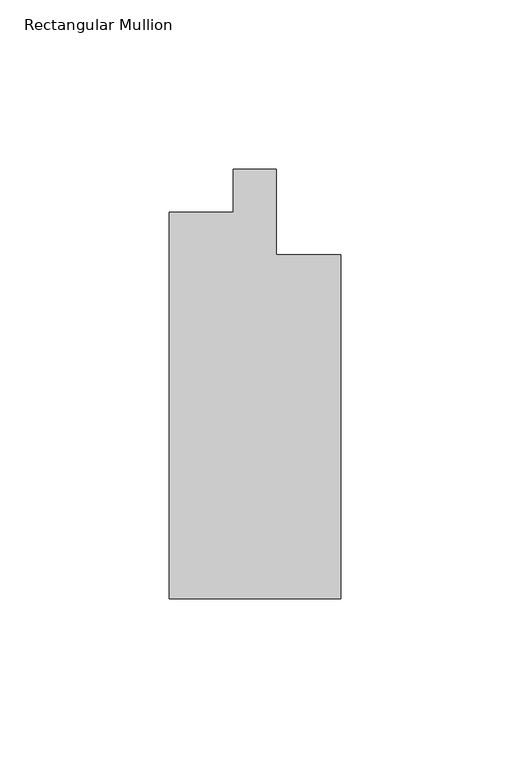
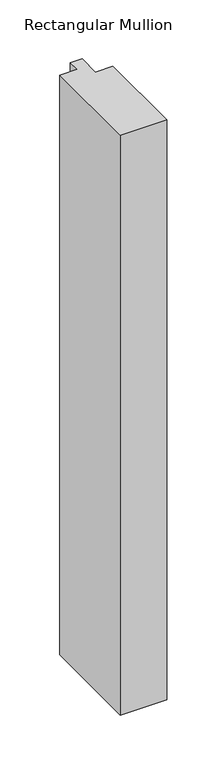
"""IFC4 building model written with IfcOpenShell, lengths in millimetres: member geometry, Rectangular Mullion."""

import ifcopenshell
import ifcopenshell.guid

model = None  # the IFC model being written
_history = None  # IfcOwnerHistory: only IFC2X3 demands one
_inside = {}  # id of a spatial element -> (the spatial element, [elements in it])
_under = {}  # id of a project, library or spatial element -> (it, [spatial elements below it])
_declared = {}  # id of a project -> (the project, [libraries it declares])
_typed = {}  # id of a type object -> (the type object, [elements of that type])
_made_of = {}  # id of a material, layer set ... -> (it, [elements and type objects made of it])


def new_model(schema):
    """Start an empty IFC model of exactly this schema.

    Asked for "IFC4X3", IfcOpenShell would pick the latest addendum, in which some entities
    have other attributes; the version numbers below select the first issue.
    IFC2X3 requires an IfcOwnerHistory on every rooted entity: one is made here for all.
    """
    global model, _history
    if schema == "IFC4X3":
        model = ifcopenshell.file(schema_version=(4, 3, 0, 0))
    else:
        model = ifcopenshell.file(schema=schema)
    _inside.clear()
    _under.clear()
    _declared.clear()
    _typed.clear()
    _made_of.clear()
    _history = None
    if model.schema == "IFC2X3":
        org = make("IfcOrganization", Name="unknown")
        user = make(
            "IfcPersonAndOrganization",
            ThePerson=make("IfcPerson", FamilyName="unknown"),
            TheOrganization=org,
        )
        app = make(
            "IfcApplication",
            ApplicationDeveloper=org,
            Version="unknown",
            ApplicationFullName="unknown",
            ApplicationIdentifier="unknown",
        )
        _history = make(
            "IfcOwnerHistory",
            OwningUser=user,
            OwningApplication=app,
            ChangeAction="ADDED",
            CreationDate=0,
        )
    return model


def make(cls, **values):
    """One entity of the class cls with the attributes given. An attribute that is None is left unset."""
    return model.create_entity(
        cls, **{name: value for name, value in values.items() if value is not None}
    )


def rooted(cls, **values):
    """An entity with a GlobalId (a new one), such as an element, a storey or a relation."""
    return make(cls, GlobalId=ifcopenshell.guid.new(), OwnerHistory=_history, **values)


def si_unit(unit_type, name, prefix=None):
    """IfcSIUnit, for example si_unit("LENGTHUNIT", "METRE", prefix="MILLI")."""
    return make("IfcSIUnit", UnitType=unit_type, Prefix=prefix, Name=name)


def assignment(units):
    """IfcUnitAssignment: the units of a project."""
    return None if units is None else make("IfcUnitAssignment", Units=units)


def point(xyz):
    """IfcCartesianPoint."""
    return None if xyz is None else make("IfcCartesianPoint", Coordinates=xyz)


def direction(xyz):
    """IfcDirection."""
    return None if xyz is None else make("IfcDirection", DirectionRatios=xyz)


def frame(location, z_axis=None, x_axis=None):
    """IfcAxis2Placement3D, a coordinate frame: its origin and axes. An axis left out is left unset."""
    return make(
        "IfcAxis2Placement3D",
        Location=point(location),
        Axis=direction(z_axis),
        RefDirection=direction(x_axis),
    )


def origin():
    """The frame at (0, 0, 0) with its axes left unset."""
    return frame((0.0, 0.0, 0.0))


def place(relative_to, where):
    """IfcLocalPlacement: puts the frame where relative to a parent placement (None: the world)."""
    return make(
        "IfcLocalPlacement", PlacementRelTo=relative_to, RelativePlacement=where
    )


def context(
    kind, dimensions, precision=None, world=None, true_north=None, identifier=None
):
    """IfcGeometricRepresentationContext, for example the 3D "Model" context."""
    return make(
        "IfcGeometricRepresentationContext",
        ContextIdentifier=identifier,
        ContextType=kind,
        CoordinateSpaceDimension=dimensions,
        Precision=precision,
        WorldCoordinateSystem=world,
        TrueNorth=true_north,
    )


def project(units=None, contexts=None):
    """IfcProject with its units and contexts."""
    return rooted(
        "IfcProject",
        Name="project",
        RepresentationContexts=contexts,
        UnitsInContext=assignment(units),
    )


def spatial(cls, under=None, at=None, **own):
    """A site, building, storey or space (cls), placed at a placement, below another one or the project."""
    s = rooted(cls, ObjectPlacement=at, **own)
    if under is not None:
        _under.setdefault(under.id(), (under, []))[1].append(s)
    return s


def polyline(points):
    """IfcPolyline through the points."""
    return make("IfcPolyline", Points=[point(p) for p in points])


def outline(outer, holes=None, kind="AREA"):
    """IfcArbitraryClosedProfileDef: a profile drawn as a closed curve; with holes, ...WithVoids."""
    if holes is None:
        return make("IfcArbitraryClosedProfileDef", ProfileType=kind, OuterCurve=outer)
    return make(
        "IfcArbitraryProfileDefWithVoids",
        ProfileType=kind,
        OuterCurve=outer,
        InnerCurves=holes,
    )


def extrude(swept, where, along, depth):
    """IfcExtrudedAreaSolid: the profile swept, set in the frame where, extruded along a direction by depth."""
    return make(
        "IfcExtrudedAreaSolid",
        SweptArea=swept,
        Position=where,
        ExtrudedDirection=direction(along),
        Depth=depth,
    )


def shape(context_of_items, identifier, shape_type, items):
    """IfcShapeRepresentation: the items that make up one representation, for example the "Body"."""
    return make(
        "IfcShapeRepresentation",
        ContextOfItems=context_of_items,
        RepresentationIdentifier=identifier,
        RepresentationType=shape_type,
        Items=items,
    )


def source(mapping_origin, context_of_items, identifier, shape_type, items):
    """IfcRepresentationMap: a shape defined once, which mapped items show again and again."""
    return make(
        "IfcRepresentationMap",
        MappingOrigin=mapping_origin,
        MappedRepresentation=shape(context_of_items, identifier, shape_type, items),
    )


def transform(
    local_origin,
    x_axis=None,
    y_axis=None,
    z_axis=None,
    scale=None,
    scale2=None,
    scale3=None,
    uniform=True,
):
    """IfcCartesianTransformationOperator3D, or its non-uniform kind. x_axis, y_axis, z_axis: its Axis1, 2, 3."""
    if uniform:
        return make(
            "IfcCartesianTransformationOperator3D",
            Axis1=direction(x_axis),
            Axis2=direction(y_axis),
            LocalOrigin=point(local_origin),
            Scale=scale,
            Axis3=direction(z_axis),
        )
    return make(
        "IfcCartesianTransformationOperator3DnonUniform",
        Axis1=direction(x_axis),
        Axis2=direction(y_axis),
        LocalOrigin=point(local_origin),
        Scale=scale,
        Axis3=direction(z_axis),
        Scale2=scale2,
        Scale3=scale3,
    )


def mapped(mapping_source, mapping_target):
    """IfcMappedItem: shows the shape of a source again, moved by a transform."""
    return make(
        "IfcMappedItem", MappingSource=mapping_source, MappingTarget=mapping_target
    )


def made_of(thing, what):
    """Note that an element or type object is made of a material, layer set ...; save() writes the relation."""
    if what is not None:
        _made_of.setdefault(what.id(), (what, []))[1].append(thing)
    return thing


def element(
    cls,
    number,
    at=None,
    inside=None,
    cuts=None,
    type_object=None,
    material=None,
    context=None,
    identifier="Body",
    shape_type=None,
    held_by="IfcProductDefinitionShape",
    body=None,
    shapes=None,
    **own,
):
    """One element of the class cls, such as IfcWall. Its Tag is "e" and its number.

    at: its placement. inside: the storey or other place that contains it. cuts: it is an
    opening in that element (IfcRelVoidsElement). A single representation is given by context,
    identifier, shape_type and body (its items); several are given by shapes. held_by: the class
    of the entity that holds the representations. save() writes the other relations.
    """
    e = rooted(cls, Tag="e%d" % number, ObjectPlacement=at, **own)
    if body is not None:
        shapes = [shape(context, identifier, shape_type, body)]
    if shapes is not None:
        e.Representation = make(held_by, Representations=shapes)
    if inside is not None:
        _inside.setdefault(inside.id(), (inside, []))[1].append(e)
    if cuts is not None:
        rooted(
            "IfcRelVoidsElement", RelatingBuildingElement=cuts, RelatedOpeningElement=e
        )
    if type_object is not None:
        _typed.setdefault(type_object.id(), (type_object, []))[1].append(e)
    return made_of(e, material)


def aggregate(whole, parts):
    """IfcRelAggregates: a whole, such as a stair, and the parts it consists of."""
    return rooted("IfcRelAggregates", RelatingObject=whole, RelatedObjects=parts)


def save(model, path):
    """Write the relations noted so far, then the file.

    IfcRelAggregates (storeys below a building ...), IfcRelContainedInSpatialStructure (elements
    in a storey), IfcRelDefinesByType, IfcRelAssociatesMaterial and IfcRelDeclares: one each for
    every whole, place, type object, material and project.
    """
    for whole, parts in _under.values():
        aggregate(whole, parts)
    for where, things in _inside.values():
        rooted(
            "IfcRelContainedInSpatialStructure",
            RelatedElements=things,
            RelatingStructure=where,
        )
    for kind, things in _typed.values():
        rooted("IfcRelDefinesByType", RelatedObjects=things, RelatingType=kind)
    for what, things in _made_of.values():
        rooted("IfcRelAssociatesMaterial", RelatedObjects=things, RelatingMaterial=what)
    for by, libraries in _declared.values():
        rooted("IfcRelDeclares", RelatingContext=by, RelatedDefinitions=libraries)
    model.write(path)


def rectangular_mullion_8cd9ff77(model_context):
    return source(origin(), model_context, "Body", "SweptSolid", [
        extrude(outline(polyline([(25.4, -152.4), (-25.4, -152.4), (-25.4, -38.1), (-6.35, -38.1), (-6.35, -25.4), (6.35, -25.4), (6.35, -50.8), (25.4, -50.8), (25.4, -152.4)])), frame((0.0, 0.0, -668.8666667), z_axis=(0.0, 0.0, 1.0), x_axis=(1.0, 0.0, 0.0)), (0.0, 0.0, 1.0), 668.8666667),
    ])


if __name__ == "__main__":
    model = new_model("IFC4")
    model_context = context("Model", 3, world=origin())
    ifc_project = project(units=[si_unit("LENGTHUNIT", "METRE", prefix="MILLI")], contexts=[model_context])
    site = spatial("IfcSite", under=ifc_project)
    building = spatial("IfcBuilding", under=site)
    placement = place(None, origin())
    rectangular_mullion_shape = rectangular_mullion_8cd9ff77(model_context)
    element("IfcMember", 1, ObjectType="Rectangular Mullion", at=placement, inside=building, context=model_context, shape_type="MappedRepresentation", body=[
        mapped(rectangular_mullion_shape, transform((0.0, 0.0, 0.0), x_axis=(1.0, 0.0, 0.0), y_axis=(0.0, 1.0, 0.0), z_axis=(0.0, 0.0, 1.0))),
    ])
    save(model, "model.ifc")
